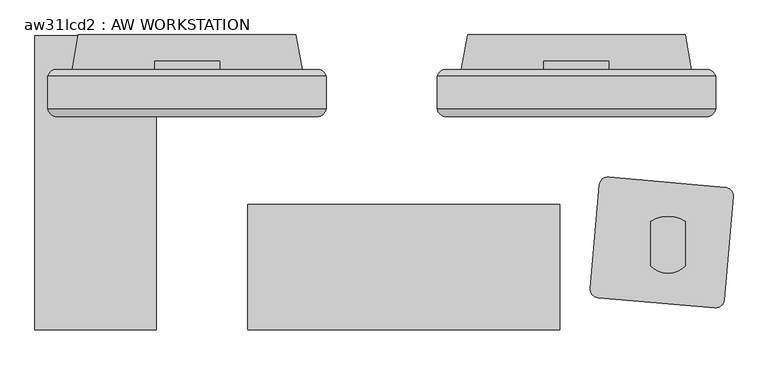
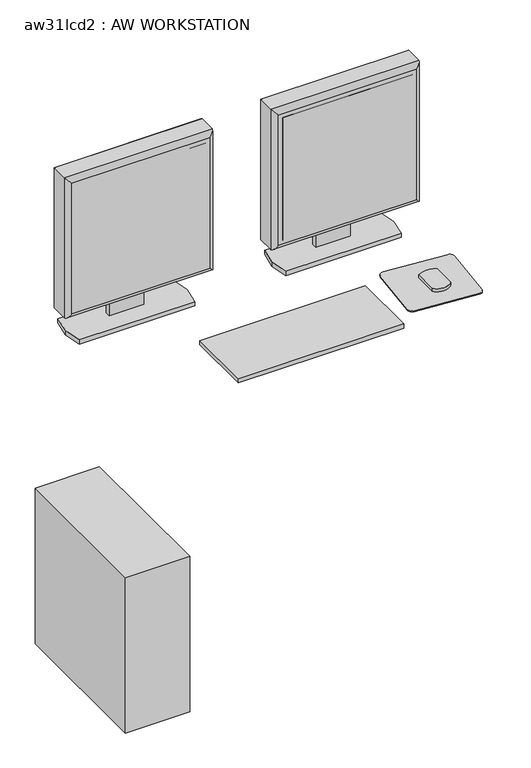
"""IFC4 building model written with IfcOpenShell, lengths in millimetres: proxy geometry, aw31lcd2 : AW WORKSTATION."""

from ifc_helpers import new_model, si_unit, point, frame, frame_2d, origin, origin_with_axes, place, context, project, spatial, polyline, circle_curve, ellipse_curve, trimmed, segment, composite_curve, outline, extrude, source, transform, mapped, element, save
from ifc_brep_helpers import plane_surface, cylinder_surface, advanced_brep


def aw31lcd2_aw_workstation_2d83d772(model_context):
    return source(origin(), model_context, "Body", "SolidModel", [
        advanced_brep(
        [(837.5589804, -185.9955518, 1419.86), (837.5589804, -229.1262324, 1419.86), (837.5589804, -234.1232752, 1419.86), (1246.4989804, -234.1232752, 1419.86), (1246.4989804, -229.1262324, 1419.86), (1246.4989804, -185.9955518, 1419.86), (1246.4989804, -185.9955518, 1010.2963264), (1246.4989804, -229.1262324, 1010.2963264), (1246.4989804, -234.1232752, 1010.2963264), (837.5589804, -234.1232752, 1010.2963264), (837.5589804, -229.1262324, 1010.2963264), (837.5589804, -185.9955518, 1010.2963264), (846.7966164, -176.7579158, 1019.5339624), (846.7966164, -176.7579158, 1410.622364), (1237.2613444, -176.7579158, 1410.622364), (1237.2613444, -176.7579158, 1019.5339624), (851.723141, -246.0075927, 1405.694569), (851.723141, -246.0075927, 1024.4617574), (1232.3335494, -246.0075927, 1024.460487), (1232.3348198, -246.0075927, 1405.694569)],
        [
            (0, 1),
            (1, 2),
            (2, 3),
            (3, 4),
            (4, 5),
            (5, 0),
            (6, 7),
            (7, 8),
            (8, 9),
            (9, 10),
            (10, 11),
            (11, 6),
            (12, 13),
            (13, 14),
            (14, 15),
            (15, 12),
            (0, 11),
            (9, 2),
            (16, 17),
            (17, 18),
            (18, 19),
            (19, 16),
            (3, 8),
            (6, 5),
            (12, 11, ellipse_curve(frame((853.6736687, -192.8726041, 1026.4110147), z_axis=(-0.7071067811865452, 0.0, 0.7071067811865498), x_axis=(-0.7071067811865498, 0.0, -0.7071067811865452)), 24.7780962, 17.5207599)),
            (0, 13, ellipse_curve(frame((853.6736687, -192.8726041, 1403.7453117), z_axis=(-0.7071067811865498, 0.0, -0.7071067811865452), x_axis=(0.7071067811865452, 0.0, -0.7071067811865498)), 24.7780962, 17.5207599)),
            (16, 2, ellipse_curve(frame((851.723141, -231.6247538, 1405.6958394), z_axis=(-0.7071067811865498, 0.0, -0.7071067811865452), x_axis=(0.7071067811865452, 0.0, -0.7071067811865498)), 20.3404059, 14.3828389)),
            (9, 17, ellipse_curve(frame((851.723141, -231.6247538, 1024.460487), z_axis=(-0.7071067811865452, 0.0, 0.7071067811865498), x_axis=(-0.7071067811865498, 0.0, -0.7071067811865452)), 20.3404059, 14.3828389)),
            (15, 6, ellipse_curve(frame((1230.3842921, -192.8726041, 1026.4110147), z_axis=(-0.7071067811865498, 0.0, -0.7071067811865452), x_axis=(0.7071067811865452, 0.0, -0.7071067811865497)), 24.7780962, 17.5207599)),
            (8, 18, ellipse_curve(frame((1232.3348198, -231.6247538, 1024.460487), z_axis=(-0.7071067811865498, 0.0, -0.7071067811865452), x_axis=(0.7071067811865452, 0.0, -0.7071067811865497)), 20.3404059, 14.3828389)),
            (14, 5, ellipse_curve(frame((1230.3842921, -192.8726041, 1403.7453117), z_axis=(0.7071067811865452, 0.0, -0.7071067811865498), x_axis=(0.7071067811865498, 0.0, 0.7071067811865452)), 24.7780962, 17.5207599)),
            (3, 19, ellipse_curve(frame((1232.3348198, -231.6247538, 1405.6958394), z_axis=(0.7071067811865452, 0.0, -0.7071067811865498), x_axis=(0.7071067811865498, 0.0, 0.7071067811865452)), 20.3404059, 14.3828389)),
        ],
        [
            plane_surface(frame((842.6389804, -176.7579158, 1419.86), z_axis=(0.0, 0.0, 1.0), x_axis=(-1.0, 0.0, 0.0))),
            plane_surface(frame((842.6389804, -176.7579158, 1010.2963264), z_axis=(0.0, 0.0, -1.0), x_axis=(1.0, 0.0, 0.0))),
            plane_surface(frame((1246.4989804, -176.7579158, 1419.86), z_axis=(0.0, 1.0, 0.0), x_axis=(0.0, 0.0, -1.0))),
            plane_surface(frame((837.5589804, -176.7579158, 1419.86), z_axis=(-1.0, 0.0, 0.0), x_axis=(0.0, 0.0, -1.0))),
            plane_surface(frame((837.5589804, -246.0075927, 1419.86), z_axis=(0.0, -1.0, 0.0), x_axis=(0.0, 0.0, -1.0))),
            plane_surface(frame((1246.4989804, -246.0075927, 1419.86), z_axis=(1.0, 0.0, 0.0), x_axis=(0.0, 0.0, -1.0))),
            cylinder_surface(frame((853.6736687, -192.8726041, 1419.86), z_axis=(0.0, 0.0, -1.0), x_axis=(0.0, 1.0, 0.0)), 17.5207599),
            cylinder_surface(frame((851.723141, -231.6247538, 1419.86), z_axis=(0.0, 0.0, -1.0), x_axis=(0.0, 1.0, 0.0)), 14.3828389),
            cylinder_surface(frame((837.5589804, -192.8726041, 1026.4110147), z_axis=(1.0, 0.0, 0.0), x_axis=(0.0, 1.0, 0.0)), 17.5207599),
            cylinder_surface(frame((837.5589804, -231.6247538, 1024.460487), z_axis=(1.0, 0.0, 0.0), x_axis=(0.0, 1.0, 0.0)), 14.3828389),
            cylinder_surface(frame((1230.3842921, -192.8726041, 1010.2963264), z_axis=(0.0, 0.0, 1.0), x_axis=(0.0, 1.0, 0.0)), 17.5207599),
            cylinder_surface(frame((1232.3348198, -231.6247538, 1010.2963264), z_axis=(0.0, 0.0, 1.0), x_axis=(0.0, 1.0, 0.0)), 14.3828389),
            cylinder_surface(frame((1246.4989804, -192.8726041, 1403.7453117), z_axis=(-1.0, 0.0, 0.0), x_axis=(0.0, 1.0, 0.0)), 17.5207599),
            cylinder_surface(frame((1246.4989804, -231.6247538, 1405.6958394), z_axis=(-1.0, 0.0, 0.0), x_axis=(0.0, 1.0, 0.0)), 14.3828389),
        ],
        [
            (0, [[1, 2, 3, 4, 5, 6]]),
            (1, [[7, 8, 9, 10, 11, 12]]),
            (2, [[13, 14, 15, 16]]),
            (3, [[-1, 17, -11, -10, 18, -2]]),
            (4, [[19, 20, 21, 22]]),
            (5, [[-5, -4, 23, -8, -7, 24]]),
            (6, [[25, -17, 26, -13]]),
            (7, [[27, -18, 28, -19]]),
            (8, [[-25, -16, 29, -12]]),
            (9, [[30, -20, -28, -9]]),
            (10, [[-29, -15, 31, -24]]),
            (11, [[32, -21, -30, -23]]),
            (12, [[-26, -6, -31, -14]]),
            (13, [[-27, -22, -32, -3]]),
        ],
    ),
        extrude(outline(polyline([(862.9589804, -240.0938136), (1221.0989804, -240.0938136), (1221.0989804, -246.0075927), (862.9589804, -246.0075927), (862.9589804, -240.0938136)])), frame((0.0, 0.0, 1035.6963264), z_axis=(0.0, 0.0, 1.0), x_axis=(1.0, 0.0, 0.0)), (0.0, 0.0, 1.0), 358.7636736),
        extrude(outline(polyline([(-176.7579158, 1236.2794056), (-164.0767446, 1236.2794056), (-164.0767446, 926.6153731), (-176.7579158, 926.6153731), (-176.7579158, 1006.8339624), (-174.0206834, 1006.8339624), (-174.0206834, 1019.5339624), (-176.7579158, 1019.5339624), (-176.7579158, 1236.2794056)])), frame((994.4039804, 0.0, 0.0), z_axis=(1.0, 0.0, 0.0), x_axis=(0.0, 1.0, 0.0)), (0.0, 0.0, 1.0), 95.25),
        extrude(outline(polyline([(873.3729804, -176.7579158), (882.5169804, -125.7039158), (1201.5409804, -125.7039158), (1210.6849804, -176.7579158), (1201.5409804, -227.8119158), (882.5169804, -227.8119158), (873.3729804, -176.7579158)])), frame((0.0, 0.0, 914.4), z_axis=(0.0, 0.0, 1.0), x_axis=(1.0, 0.0, 0.0)), (0.0, 0.0, 1.0), 12.2153731),
        advanced_brep(
        [(266.3703324, -185.9955518, 1419.86), (266.3703324, -229.1262324, 1419.86), (266.3703324, -234.1232752, 1419.86), (675.3103324, -234.1232752, 1419.86), (675.3103324, -229.1262324, 1419.86), (675.3103324, -185.9955518, 1419.86), (675.3103324, -185.9955518, 1010.2963264), (675.3103324, -229.1262324, 1010.2963264), (675.3103324, -234.1232752, 1010.2963264), (266.3703324, -234.1232752, 1010.2963264), (266.3703324, -229.1262324, 1010.2963264), (266.3703324, -185.9955518, 1010.2963264), (275.6079684, -176.7579158, 1019.5339624), (275.6079684, -176.7579158, 1410.622364), (666.0726964, -176.7579158, 1410.622364), (666.0726964, -176.7579158, 1019.5339624), (280.534493, -246.0075927, 1405.694569), (280.534493, -246.0075927, 1024.4617574), (661.1449014, -246.0075927, 1024.460487), (661.1461718, -246.0075927, 1405.694569)],
        [
            (0, 1),
            (1, 2),
            (2, 3),
            (3, 4),
            (4, 5),
            (5, 0),
            (6, 7),
            (7, 8),
            (8, 9),
            (9, 10),
            (10, 11),
            (11, 6),
            (12, 13),
            (13, 14),
            (14, 15),
            (15, 12),
            (0, 11),
            (9, 2),
            (16, 17),
            (17, 18),
            (18, 19),
            (19, 16),
            (3, 8),
            (6, 5),
            (12, 11, ellipse_curve(frame((282.4850207, -192.8726041, 1026.4110147), z_axis=(-0.7071067811865452, 0.0, 0.7071067811865498), x_axis=(-0.7071067811865498, 0.0, -0.7071067811865452)), 24.7780962, 17.5207599)),
            (0, 13, ellipse_curve(frame((282.4850207, -192.8726041, 1403.7453117), z_axis=(-0.7071067811865498, 0.0, -0.7071067811865452), x_axis=(0.7071067811865452, 0.0, -0.7071067811865498)), 24.7780962, 17.5207599)),
            (16, 2, ellipse_curve(frame((280.534493, -231.6247538, 1405.6958394), z_axis=(-0.7071067811865498, 0.0, -0.7071067811865452), x_axis=(0.7071067811865452, 0.0, -0.7071067811865498)), 20.3404059, 14.3828389)),
            (9, 17, ellipse_curve(frame((280.534493, -231.6247538, 1024.460487), z_axis=(-0.7071067811865452, 0.0, 0.7071067811865498), x_axis=(-0.7071067811865498, 0.0, -0.7071067811865452)), 20.3404059, 14.3828389)),
            (15, 6, ellipse_curve(frame((659.1956441, -192.8726041, 1026.4110147), z_axis=(-0.7071067811865498, 0.0, -0.7071067811865452), x_axis=(0.7071067811865452, 0.0, -0.7071067811865497)), 24.7780962, 17.5207599)),
            (8, 18, ellipse_curve(frame((661.1461718, -231.6247538, 1024.460487), z_axis=(-0.7071067811865498, 0.0, -0.7071067811865452), x_axis=(0.7071067811865452, 0.0, -0.7071067811865497)), 20.3404059, 14.3828389)),
            (14, 5, ellipse_curve(frame((659.1956441, -192.8726041, 1403.7453117), z_axis=(0.7071067811865452, 0.0, -0.7071067811865498), x_axis=(0.7071067811865498, 0.0, 0.7071067811865452)), 24.7780962, 17.5207599)),
            (3, 19, ellipse_curve(frame((661.1461718, -231.6247538, 1405.6958394), z_axis=(0.7071067811865452, 0.0, -0.7071067811865498), x_axis=(0.7071067811865498, 0.0, 0.7071067811865452)), 20.3404059, 14.3828389)),
        ],
        [
            plane_surface(frame((271.4503324, -176.7579158, 1419.86), z_axis=(0.0, 0.0, 1.0), x_axis=(-1.0, 0.0, 0.0))),
            plane_surface(frame((271.4503324, -176.7579158, 1010.2963264), z_axis=(0.0, 0.0, -1.0), x_axis=(1.0, 0.0, 0.0))),
            plane_surface(frame((675.3103324, -176.7579158, 1419.86), z_axis=(0.0, 1.0, 0.0), x_axis=(0.0, 0.0, -1.0))),
            plane_surface(frame((266.3703324, -176.7579158, 1419.86), z_axis=(-1.0, 0.0, 0.0), x_axis=(0.0, 0.0, -1.0))),
            plane_surface(frame((266.3703324, -246.0075927, 1419.86), z_axis=(0.0, -1.0, 0.0), x_axis=(0.0, 0.0, -1.0))),
            plane_surface(frame((675.3103324, -246.0075927, 1419.86), z_axis=(1.0, 0.0, 0.0), x_axis=(0.0, 0.0, -1.0))),
            cylinder_surface(frame((282.4850207, -192.8726041, 1419.86), z_axis=(0.0, 0.0, -1.0), x_axis=(0.0, 1.0, 0.0)), 17.5207599),
            cylinder_surface(frame((280.534493, -231.6247538, 1419.86), z_axis=(0.0, 0.0, -1.0), x_axis=(0.0, 1.0, 0.0)), 14.3828389),
            cylinder_surface(frame((266.3703324, -192.8726041, 1026.4110147), z_axis=(1.0, 0.0, 0.0), x_axis=(0.0, 1.0, 0.0)), 17.5207599),
            cylinder_surface(frame((266.3703324, -231.6247538, 1024.460487), z_axis=(1.0, 0.0, 0.0), x_axis=(0.0, 1.0, 0.0)), 14.3828389),
            cylinder_surface(frame((659.1956441, -192.8726041, 1010.2963264), z_axis=(0.0, 0.0, 1.0), x_axis=(0.0, 1.0, 0.0)), 17.5207599),
            cylinder_surface(frame((661.1461718, -231.6247538, 1010.2963264), z_axis=(0.0, 0.0, 1.0), x_axis=(0.0, 1.0, 0.0)), 14.3828389),
            cylinder_surface(frame((675.3103324, -192.8726041, 1403.7453117), z_axis=(-1.0, 0.0, 0.0), x_axis=(0.0, 1.0, 0.0)), 17.5207599),
            cylinder_surface(frame((675.3103324, -231.6247538, 1405.6958394), z_axis=(-1.0, 0.0, 0.0), x_axis=(0.0, 1.0, 0.0)), 14.3828389),
        ],
        [
            (0, [[1, 2, 3, 4, 5, 6]]),
            (1, [[7, 8, 9, 10, 11, 12]]),
            (2, [[13, 14, 15, 16]]),
            (3, [[-1, 17, -11, -10, 18, -2]]),
            (4, [[19, 20, 21, 22]]),
            (5, [[-5, -4, 23, -8, -7, 24]]),
            (6, [[25, -17, 26, -13]]),
            (7, [[27, -18, 28, -19]]),
            (8, [[-25, -16, 29, -12]]),
            (9, [[30, -20, -28, -9]]),
            (10, [[-29, -15, 31, -24]]),
            (11, [[32, -21, -30, -23]]),
            (12, [[-26, -6, -31, -14]]),
            (13, [[-27, -22, -32, -3]]),
        ],
    ),
        extrude(outline(polyline([(291.7703324, -240.0938136), (649.9103324, -240.0938136), (649.9103324, -246.0075927), (291.7703324, -246.0075927), (291.7703324, -240.0938136)])), frame((0.0, 0.0, 1035.6963264), z_axis=(0.0, 0.0, 1.0), x_axis=(1.0, 0.0, 0.0)), (0.0, 0.0, 1.0), 358.7636736),
        extrude(outline(polyline([(-176.7579158, 1236.2794056), (-164.0767446, 1236.2794056), (-164.0767446, 926.6153731), (-176.7579158, 926.6153731), (-176.7579158, 1006.8339624), (-174.0206834, 1006.8339624), (-174.0206834, 1019.5339624), (-176.7579158, 1019.5339624), (-176.7579158, 1236.2794056)])), frame((423.2153324, 0.0, 0.0), z_axis=(1.0, 0.0, 0.0), x_axis=(0.0, 1.0, 0.0)), (0.0, 0.0, 1.0), 95.25),
        extrude(outline(polyline([(247.65, -558.8), (247.65, -127.0), (425.45, -127.0), (425.45, -558.8), (247.65, -558.8)])), origin_with_axes(), (0.0, 0.0, 1.0), 454.66),
        extrude(outline(composite_curve([segment(trimmed(circle_curve(frame_2d((1088.4777962, -347.3278063)), 12.7), [point((1075.8261235, -346.2209284))], [point((1089.5846741, -334.6761336))], False, "CARTESIAN"), True, "CONTINUOUS"), segment(polyline([(1089.5846741, -334.6761336), (1260.3822551, -349.6189857)]), True, "CONTINUOUS"), segment(trimmed(circle_curve(frame_2d((1259.2753772, -362.2706584)), 12.7), [point((1260.3822551, -349.6189857))], [point((1271.9270498, -363.3775363))], False, "CARTESIAN"), True, "CONTINUOUS"), segment(polyline([(1271.9270498, -363.3775363), (1258.6445146, -515.1976083)]), True, "CONTINUOUS"), segment(trimmed(circle_curve(frame_2d((1245.992842, -514.0907304)), 12.7), [point((1258.6445146, -515.1976083))], [point((1244.885964, -526.742403))], False, "CARTESIAN"), True, "CONTINUOUS"), segment(polyline([(1244.885964, -526.742403), (1074.088383, -511.7995509)]), True, "CONTINUOUS"), segment(trimmed(circle_curve(frame_2d((1075.195261, -499.1478783)), 12.7), [point((1074.088383, -511.7995509))], [point((1062.5435883, -498.0410003))], False, "CARTESIAN"), True, "CONTINUOUS"), segment(polyline([(1062.5435883, -498.0410003), (1075.8261235, -346.2209284)]), True, "CONTINUOUS")], self_intersect=False)), frame((0.0, 0.0, 914.4), z_axis=(0.0, 0.0, 1.0), x_axis=(1.0, 0.0, 0.0)), (0.0, 0.0, 1.0), 2.9133962),
        extrude(outline(composite_curve([segment(trimmed(circle_curve(frame_2d((1176.4204806, -440.1844343)), 35.5491443), [point((1201.8204806, -465.0557361))], [point((1151.0204806, -465.0557361))], False, "CARTESIAN"), True, "CONTINUOUS"), segment(polyline([(1151.0204806, -465.0557361), (1151.0204806, -399.7603894)]), True, "CONTINUOUS"), segment(trimmed(circle_curve(frame_2d((1176.4204806, -437.9378026)), 45.8549329), [point((1151.0204806, -399.7603894))], [point((1201.8204806, -399.7603894))], False, "CARTESIAN"), True, "CONTINUOUS"), segment(polyline([(1201.8204806, -399.7603894), (1201.8204806, -465.0557361)]), True, "CONTINUOUS")], self_intersect=False)), frame((0.0, 0.0, 917.3133962), z_axis=(0.0, 0.0, 1.0), x_axis=(1.0, 0.0, 0.0)), (0.0, 0.0, 1.0), 9.3019768),
        extrude(outline(polyline([(302.1843324, -176.7579158), (311.3283324, -125.7039158), (630.3523324, -125.7039158), (639.4963324, -176.7579158), (630.3523324, -227.8119158), (311.3283324, -227.8119158), (302.1843324, -176.7579158)])), frame((0.0, 0.0, 914.4), z_axis=(0.0, 0.0, 1.0), x_axis=(1.0, 0.0, 0.0)), (0.0, 0.0, 1.0), 12.2153731),
        extrude(outline(polyline([(1017.3307692, -374.65), (1017.3307692, -558.8), (560.1307692, -558.8), (560.1307692, -374.65), (1017.3307692, -374.65)])), frame((0.0, 0.0, 914.4), z_axis=(0.0, 0.0, 1.0), x_axis=(1.0, 0.0, 0.0)), (0.0, 0.0, 1.0), 12.2153731),
    ])


if __name__ == "__main__":
    model = new_model("IFC4")
    model_context = context("Model", 3, world=origin())
    ifc_project = project(units=[si_unit("LENGTHUNIT", "METRE", prefix="MILLI")], contexts=[model_context])
    site = spatial("IfcSite", under=ifc_project)
    building = spatial("IfcBuilding", under=site)
    placement = place(None, origin())
    aw31lcd2_aw_workstation_shape = aw31lcd2_aw_workstation_2d83d772(model_context)
    element("IfcBuildingElementProxy", 1, Name="aw31lcd2 : AW WORKSTATION", ObjectType="aw31lcd2 : AW WORKSTATION", at=placement, inside=building, context=model_context, shape_type="MappedRepresentation", body=[
        mapped(aw31lcd2_aw_workstation_shape, transform((0.0, 0.0, 0.0), x_axis=(1.0, 0.0, 0.0), y_axis=(0.0, 1.0, 0.0), z_axis=(0.0, 0.0, 1.0))),
    ])
    save(model, "model.ifc")
